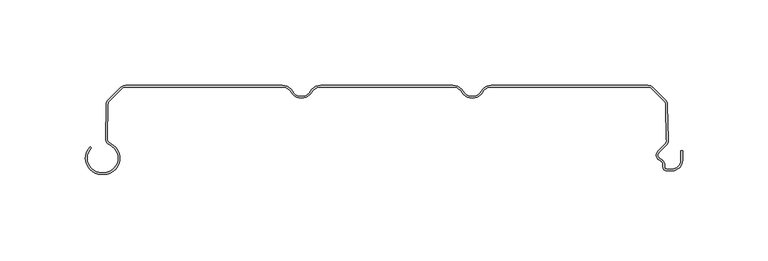
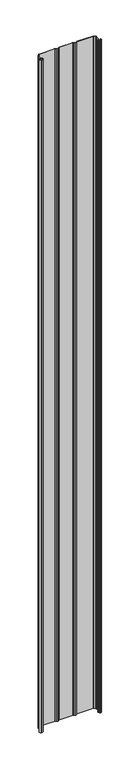
"""IFC4 building model written with IfcOpenShell, lengths in millimetres: plate geometry."""

from ifc_helpers import new_model, si_unit, point, frame_2d, origin, origin_with_axes, place, context, project, spatial, polyline, circle_curve, trimmed, segment, composite_curve, outline, extrude, source, transform, mapped, element, save


def plate_1db3f962(model_context):
    return source(origin(), model_context, "Body", "SweptSolid", [
        extrude(outline(composite_curve([segment(polyline([(-167.0602536, -51.1554676), (-165.8062536, -51.1554676)]), True, "CONTINUOUS"), segment(trimmed(circle_curve(frame_2d((-165.8062536, -42.6554676)), 8.5), [point((-165.8062536, -51.1554676))], [point((-162.2922983, -34.9158218))], True, "CARTESIAN"), True, "CONTINUOUS"), segment(trimmed(circle_curve(frame_2d((-160.5973316, -31.1825808)), 4.1), [point((-162.2922983, -34.9158218))], [point((-164.6663398, -30.6794186))], False, "CARTESIAN"), True, "CONTINUOUS"), segment(trimmed(circle_curve(frame_2d((-263.5345923, -19.4848369)), 99.5), [point((-164.6663398, -30.6794186))], [point((-164.32984, -11.8253904))], True, "CARTESIAN"), True, "CONTINUOUS"), segment(trimmed(circle_curve(frame_2d((-160.2516341, -11.4032093)), 4.1), [point((-164.32984, -11.8253904))], [point((-163.1507719, -8.5040715))], False, "CARTESIAN"), True, "CONTINUOUS"), segment(polyline([(-163.1507719, -8.5040715), (-155.8475626, -1.2008622)]), True, "CONTINUOUS"), segment(trimmed(circle_curve(frame_2d((-152.9484248, -4.1)), 4.1), [point((-155.8475626, -1.2008622))], [point((-152.9484248, 0.0))], False, "CARTESIAN"), True, "CONTINUOUS"), segment(polyline([(-152.9484248, 0.0), (-61.2583302, 0.0)]), True, "CONTINUOUS"), segment(trimmed(circle_curve(frame_2d((-61.2583302, -7.0)), 7.0), [point((-61.2583302, 0.0))], [point((-55.1961524, -3.5))], False, "CARTESIAN"), True, "CONTINUOUS"), segment(trimmed(circle_curve(frame_2d((-50.0, -0.5)), 6.0), [point((-55.1961524, -3.5))], [point((-50.0, -6.5))], True, "CARTESIAN"), True, "CONTINUOUS"), segment(trimmed(circle_curve(frame_2d((-50.0, -0.5)), 6.0), [point((-50.0, -6.5))], [point((-44.8038476, -3.5))], True, "CARTESIAN"), True, "CONTINUOUS"), segment(trimmed(circle_curve(frame_2d((-38.7416698, -7.0)), 7.0), [point((-44.8038476, -3.5))], [point((-38.7416698, 0.0))], False, "CARTESIAN"), True, "CONTINUOUS"), segment(polyline([(-38.7416698, 0.0), (38.7416698, 0.0)]), True, "CONTINUOUS"), segment(trimmed(circle_curve(frame_2d((38.7416698, -7.0)), 7.0), [point((38.7416698, 0.0))], [point((44.8038476, -3.5))], False, "CARTESIAN"), True, "CONTINUOUS"), segment(trimmed(circle_curve(frame_2d((50.0, -0.5)), 6.0), [point((44.8038476, -3.5))], [point((50.0, -6.5))], True, "CARTESIAN"), True, "CONTINUOUS"), segment(trimmed(circle_curve(frame_2d((50.0, -0.5)), 6.0), [point((50.0, -6.5))], [point((55.1961524, -3.5))], True, "CARTESIAN"), True, "CONTINUOUS"), segment(trimmed(circle_curve(frame_2d((61.2583302, -7.0)), 7.0), [point((55.1961524, -3.5))], [point((61.2583302, 0.0))], False, "CARTESIAN"), True, "CONTINUOUS"), segment(polyline([(61.2583302, 0.0), (152.9484248, 0.0)]), True, "CONTINUOUS"), segment(trimmed(circle_curve(frame_2d((152.9484248, -4.1)), 4.1), [point((152.9484248, 0.0))], [point((155.8475626, -1.2008622))], False, "CARTESIAN"), True, "CONTINUOUS"), segment(polyline([(155.8475626, -1.2008622), (163.1502639, -8.5035635)]), True, "CONTINUOUS"), segment(trimmed(circle_curve(frame_2d((160.2511261, -11.4027013)), 4.1), [point((163.1502639, -8.5035635))], [point((164.3293418, -11.8247881))], False, "CARTESIAN"), True, "CONTINUOUS"), segment(trimmed(circle_curve(frame_2d((263.5375761, -19.4390014)), 99.5), [point((164.3293418, -11.8247881))], [point((164.7850442, -31.6122279))], True, "CARTESIAN"), True, "CONTINUOUS"), segment(trimmed(circle_curve(frame_2d((160.4914801, -32.1706247)), 4.3297228), [point((164.7850442, -31.6122279))], [point((163.4270442, -35.3532279))], False, "CARTESIAN"), True, "CONTINUOUS"), segment(polyline([(163.4270442, -35.3532279), (159.3931689, -39.3871033)]), True, "CONTINUOUS"), segment(trimmed(circle_curve(frame_2d((160.9488038, -40.9427382)), 2.2), [point((159.3931689, -39.3871033))], [point((160.1238712, -42.98222))], True, "CARTESIAN"), True, "CONTINUOUS"), segment(trimmed(circle_curve(frame_2d((158.549, -46.8757763)), 4.2), [point((160.1238712, -42.98222))], [point((162.749, -46.8757763))], False, "CARTESIAN"), True, "CONTINUOUS"), segment(polyline([(162.749, -46.8757763), (162.749, -48.0)]), True, "CONTINUOUS"), segment(trimmed(circle_curve(frame_2d((163.749, -48.0)), 1.0), [point((162.749, -48.0))], [point((163.749, -49.0))], True, "CARTESIAN"), True, "CONTINUOUS"), segment(polyline([(163.749, -49.0), (167.05, -49.0)]), True, "CONTINUOUS"), segment(trimmed(circle_curve(frame_2d((167.05, -43.8)), 5.2), [point((167.05, -49.0))], [point((172.25, -43.8))], True, "CARTESIAN"), True, "CONTINUOUS"), segment(polyline([(172.25, -43.8), (172.25, -38.169), (173.25, -38.169), (173.25, -43.8)]), True, "CONTINUOUS"), segment(trimmed(circle_curve(frame_2d((167.05, -43.8)), 6.2), [point((173.25, -43.8))], [point((167.05, -50.0))], False, "CARTESIAN"), True, "CONTINUOUS"), segment(polyline([(167.05, -50.0), (163.749, -50.0)]), True, "CONTINUOUS"), segment(trimmed(circle_curve(frame_2d((163.749, -48.0)), 2.0), [point((163.749, -50.0))], [point((161.749, -48.0))], False, "CARTESIAN"), True, "CONTINUOUS"), segment(polyline([(161.749, -48.0), (161.749, -46.8757763)]), True, "CONTINUOUS"), segment(trimmed(circle_curve(frame_2d((158.549, -46.8757763)), 3.2), [point((161.749, -46.8757763))], [point((159.7489019, -43.9092572))], True, "CARTESIAN"), True, "CONTINUOUS"), segment(trimmed(circle_curve(frame_2d((160.9488038, -40.9427382)), 3.2), [point((159.7489019, -43.9092572))], [point((158.6860621, -38.6799965))], False, "CARTESIAN"), True, "CONTINUOUS"), segment(polyline([(158.6860621, -38.6799965), (162.7351433, -34.6309152)]), True, "CONTINUOUS"), segment(trimmed(circle_curve(frame_2d((160.4914801, -32.1706247)), 3.3297228), [point((162.7351433, -34.6309152))], [point((163.7929927, -31.7381109))], True, "CARTESIAN"), True, "CONTINUOUS"), segment(trimmed(circle_curve(frame_2d((263.5375761, -19.4390014)), 100.5), [point((163.7929927, -31.7381109))], [point((163.3333637, -11.7340799))], False, "CARTESIAN"), True, "CONTINUOUS"), segment(trimmed(circle_curve(frame_2d((160.2511261, -11.4027013)), 3.1), [point((163.3333637, -11.7340799))], [point((162.4431572, -9.2106703))], True, "CARTESIAN"), True, "CONTINUOUS"), segment(polyline([(162.4431572, -9.2106703), (155.1404559, -1.907969)]), True, "CONTINUOUS"), segment(trimmed(circle_curve(frame_2d((152.9484248, -4.1)), 3.1), [point((155.1404559, -1.907969))], [point((152.9484248, -1.0))], True, "CARTESIAN"), True, "CONTINUOUS"), segment(polyline([(152.9484248, -1.0), (61.2583302, -1.0)]), True, "CONTINUOUS"), segment(trimmed(circle_curve(frame_2d((61.2583302, -7.0)), 6.0), [point((61.2583302, -1.0))], [point((56.0621778, -4.0))], True, "CARTESIAN"), True, "CONTINUOUS"), segment(trimmed(circle_curve(frame_2d((50.0, -0.5)), 7.0), [point((56.0621778, -4.0))], [point((50.0, -7.5))], False, "CARTESIAN"), True, "CONTINUOUS"), segment(trimmed(circle_curve(frame_2d((50.0, -0.5)), 7.0), [point((50.0, -7.5))], [point((43.9378222, -4.0))], False, "CARTESIAN"), True, "CONTINUOUS"), segment(trimmed(circle_curve(frame_2d((38.7416698, -7.0)), 6.0), [point((43.9378222, -4.0))], [point((38.7416698, -1.0))], True, "CARTESIAN"), True, "CONTINUOUS"), segment(polyline([(38.7416698, -1.0), (-38.7416698, -1.0)]), True, "CONTINUOUS"), segment(trimmed(circle_curve(frame_2d((-38.7416698, -7.0)), 6.0), [point((-38.7416698, -1.0))], [point((-43.9378222, -4.0))], True, "CARTESIAN"), True, "CONTINUOUS"), segment(trimmed(circle_curve(frame_2d((-50.0, -0.5)), 7.0), [point((-43.9378222, -4.0))], [point((-50.0, -7.5))], False, "CARTESIAN"), True, "CONTINUOUS"), segment(trimmed(circle_curve(frame_2d((-50.0, -0.5)), 7.0), [point((-50.0, -7.5))], [point((-56.0621778, -4.0))], False, "CARTESIAN"), True, "CONTINUOUS"), segment(trimmed(circle_curve(frame_2d((-61.2583302, -7.0)), 6.0), [point((-56.0621778, -4.0))], [point((-61.2583302, -1.0))], True, "CARTESIAN"), True, "CONTINUOUS"), segment(polyline([(-61.2583302, -1.0), (-152.9484248, -1.0)]), True, "CONTINUOUS"), segment(trimmed(circle_curve(frame_2d((-152.9484248, -4.1)), 3.1), [point((-152.9484248, -1.0))], [point((-155.1404559, -1.907969))], True, "CARTESIAN"), True, "CONTINUOUS"), segment(polyline([(-155.1404559, -1.907969), (-162.4436651, -9.2111782)]), True, "CONTINUOUS"), segment(trimmed(circle_curve(frame_2d((-160.2516341, -11.4032093)), 3.1), [point((-162.4436651, -9.2111782))], [point((-163.3338854, -11.7344595))], True, "CARTESIAN"), True, "CONTINUOUS"), segment(trimmed(circle_curve(frame_2d((-263.5345923, -19.4848369)), 100.5), [point((-163.3338854, -11.7344595))], [point((-163.6733096, -30.7974064))], False, "CARTESIAN"), True, "CONTINUOUS"), segment(trimmed(circle_curve(frame_2d((-160.5973316, -31.1825808)), 3.1), [point((-163.6733096, -30.7974064))], [point((-161.8788918, -34.0052752))], True, "CARTESIAN"), True, "CONTINUOUS"), segment(trimmed(circle_curve(frame_2d((-165.8062536, -42.6554676)), 9.5), [point((-161.8788918, -34.0052752))], [point((-165.8062536, -52.1554676))], False, "CARTESIAN"), True, "CONTINUOUS"), segment(polyline([(-165.8062536, -52.1554676), (-167.0602536, -52.1554676)]), True, "CONTINUOUS"), segment(trimmed(circle_curve(frame_2d((-167.0602536, -42.6554676)), 9.5), [point((-167.0602536, -52.1554676))], [point((-173.777768, -35.9379532))], False, "CARTESIAN"), True, "CONTINUOUS"), segment(polyline([(-173.777768, -35.9379532), (-173.0706612, -36.64506)]), True, "CONTINUOUS"), segment(trimmed(circle_curve(frame_2d((-167.0602536, -42.6554676)), 8.5), [point((-173.0706612, -36.64506))], [point((-167.0602536, -51.1554676))], True, "CARTESIAN"), True, "CONTINUOUS")], self_intersect=False)), origin_with_axes(), (0.0, 0.0, 1.0), 4000.0),
    ])


if __name__ == "__main__":
    model = new_model("IFC4")
    model_context = context("Model", 3, world=origin())
    ifc_project = project(units=[si_unit("LENGTHUNIT", "METRE", prefix="MILLI")], contexts=[model_context])
    site = spatial("IfcSite", under=ifc_project)
    building = spatial("IfcBuilding", under=site)
    placement = place(None, origin())
    plate_shape = plate_1db3f962(model_context)
    element("IfcPlate", 1, at=placement, inside=building, context=model_context, shape_type="MappedRepresentation", body=[
        mapped(plate_shape, transform((0.0, 0.0, 0.0), x_axis=(1.0, 0.0, 0.0), y_axis=(0.0, 1.0, 0.0), z_axis=(0.0, 0.0, 1.0))),
    ])
    save(model, "model.ifc")
